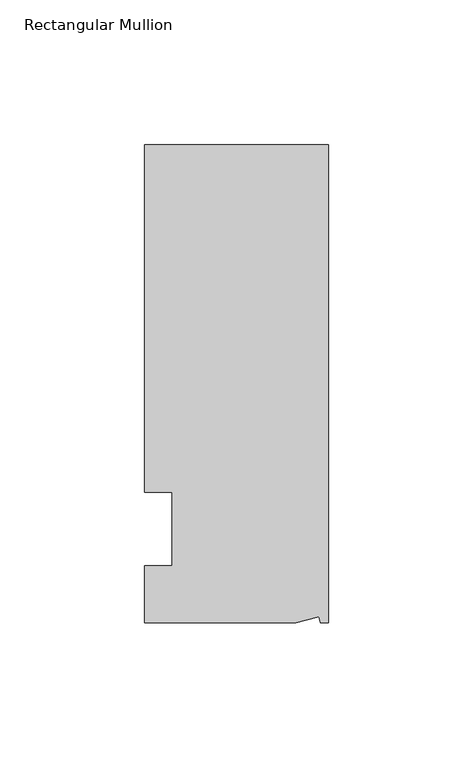
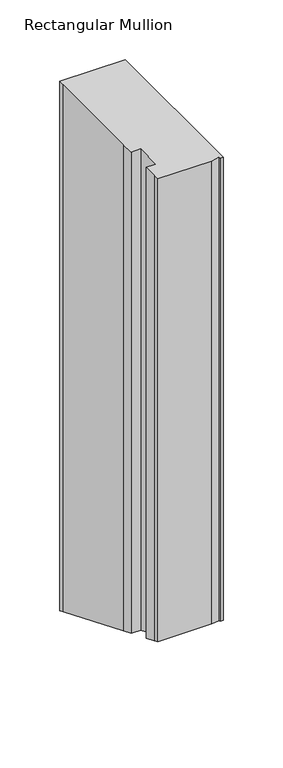
"""IFC4 building model written with IfcOpenShell, lengths in millimetres: member geometry, Rectangular Mullion."""

from ifc_helpers import new_model, si_unit, origin, place, context, project, spatial, faceted_brep, source, transform, mapped, element, save


def rectangular_mullion_2e15b126(model_context):
    return source(origin(), model_context, "Body", "Brep", [
        faceted_brep([(-3.3457217, -17.5748952, 0.0), (-11.1265412, -19.6597595, 0.0), (-11.1265412, -19.6597595, -474.456661), (-3.3457217, -17.5748952, -475.3202401), (-2.787084, -19.6597595, 0.0), (-2.787084, -19.6597595, -474.456661), (0.0, -19.6597595, 0.0), (0.0, -19.6597595, -474.456661), (0.0, 145.4402405, 0.0), (0.0, 145.4402405, -542.8433201), (-63.5, 145.4402405, 0.0), (-63.5, 145.4402405, -542.8433201), (-63.5, 38.3358837, 0.0), (-63.5, 139.0912246, 0.0), (-63.5, 139.0912246, -540.2134716), (-63.5, 38.3358837, -498.4792429), (-53.975, 25.4, 0.0), (-63.5, 25.4, 0.0), (-63.5, 25.4, -493.1210245), (-53.975, 25.4, -493.1210245), (-53.975, 0.0, 0.0), (-53.975, 0.0, -482.6), (-63.5, 0.0, 0.0), (-63.5, 0.0, -482.6), (-63.5, -13.6093403, 0.0), (-63.5, -13.6093403, -476.9628267), (-63.5, -19.6597595, 0.0), (-63.5, -19.6597595, -474.456661)], [[[0, 1, 2, 3]], [[4, 0, 3, 5]], [[6, 4, 5, 7]], [[8, 6, 7, 9]], [[10, 8, 9, 11]], [[12, 13, 14, 15]], [[16, 17, 18, 19]], [[20, 16, 19, 21]], [[22, 20, 21, 23]], [[24, 22, 23, 25]], [[1, 26, 27, 2]], [[1, 0, 4, 6, 8, 10, 13, 12, 17, 16, 20, 22, 24, 26]], [[2, 27, 25, 23, 21, 19, 18, 15, 14, 11, 9, 7, 5, 3]], [[13, 10, 11, 14]], [[17, 12, 15, 18]], [[26, 24, 25, 27]]]),
    ])


if __name__ == "__main__":
    model = new_model("IFC4")
    model_context = context("Model", 3, world=origin())
    ifc_project = project(units=[si_unit("LENGTHUNIT", "METRE", prefix="MILLI")], contexts=[model_context])
    site = spatial("IfcSite", under=ifc_project)
    building = spatial("IfcBuilding", under=site)
    placement = place(None, origin())
    rectangular_mullion_shape = rectangular_mullion_2e15b126(model_context)
    element("IfcMember", 1, ObjectType="Rectangular Mullion", at=placement, inside=building, context=model_context, shape_type="MappedRepresentation", body=[
        mapped(rectangular_mullion_shape, transform((0.0, 0.0, 0.0), x_axis=(1.0, 0.0, 0.0), y_axis=(0.0, 1.0, 0.0), z_axis=(0.0, 0.0, 1.0))),
    ])
    save(model, "model.ifc")
